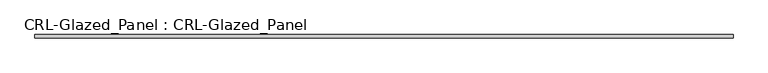
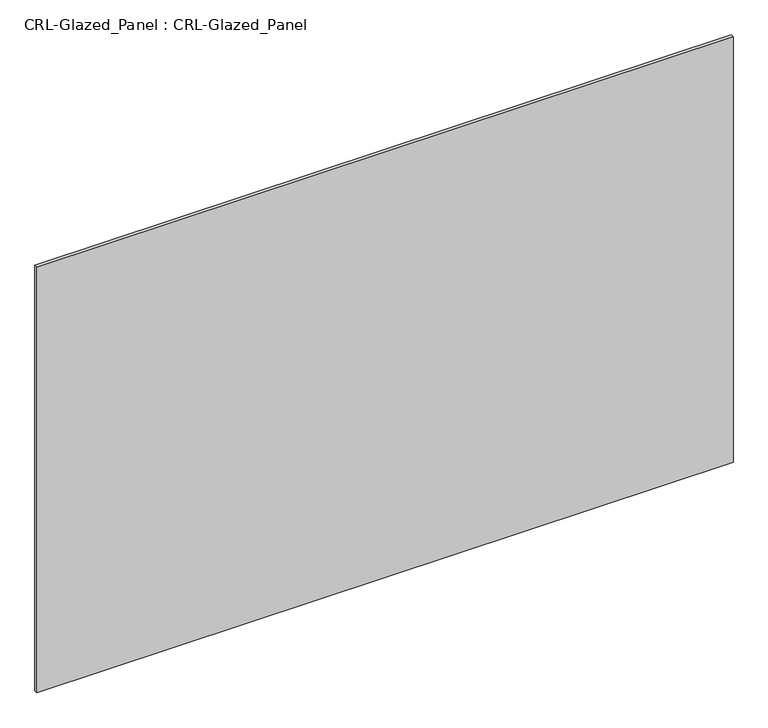
"""IFC4 building model written with IfcOpenShell, lengths in millimetres: plate geometry, CRL-Glazed_Panel : CRL-Glazed_Panel."""

from ifc_helpers import new_model, si_unit, origin, origin_with_axes, place, context, project, spatial, polyline, outline, extrude, source, transform, mapped, element, save


def crl_glazed_panel_crl_glazed_panel_84232e8a(model_context):
    return source(origin(), model_context, "Body", "SweptSolid", [
        extrude(outline(polyline([(624.9458262, 3.1749999), (624.9458262, -3.1749999), (-624.9458262, -3.1749999), (-624.9458262, 3.1749999), (624.9458262, 3.1749999)])), origin_with_axes(), (0.0, 0.0, 1.0), 807.154939),
    ])


if __name__ == "__main__":
    model = new_model("IFC4")
    model_context = context("Model", 3, world=origin())
    ifc_project = project(units=[si_unit("LENGTHUNIT", "METRE", prefix="MILLI")], contexts=[model_context])
    site = spatial("IfcSite", under=ifc_project)
    building = spatial("IfcBuilding", under=site)
    placement = place(None, origin())
    crl_glazed_panel_crl_glazed_panel_shape = crl_glazed_panel_crl_glazed_panel_84232e8a(model_context)
    element("IfcPlate", 1, ObjectType="CRL-Glazed_Panel : CRL-Glazed_Panel", at=placement, inside=building, context=model_context, shape_type="MappedRepresentation", body=[
        mapped(crl_glazed_panel_crl_glazed_panel_shape, transform((0.0, 0.0, 0.0), x_axis=(1.0, 0.0, 0.0), y_axis=(0.0, 1.0, 0.0), z_axis=(0.0, 0.0, 1.0))),
    ])
    save(model, "model.ifc")
